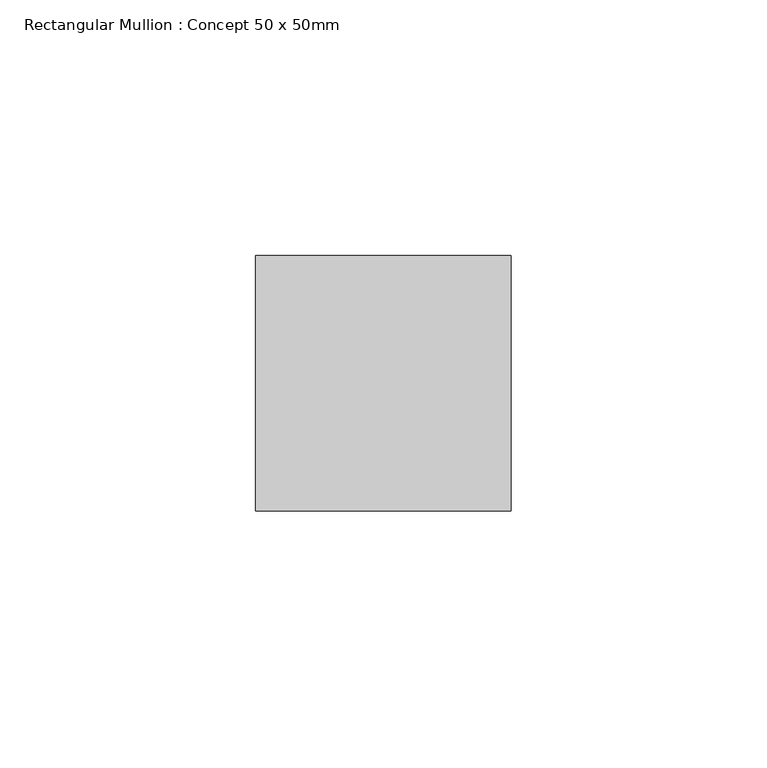
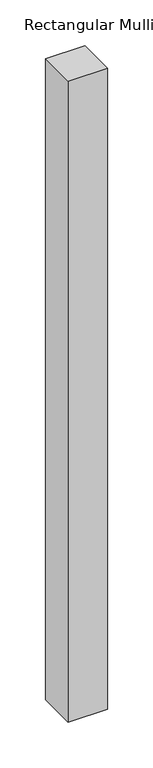
"""IFC4 building model written with IfcOpenShell, lengths in millimetres: member geometry, Rectangular Mullion : Concept 50 x 50mm."""

from ifc_helpers import new_model, si_unit, frame, origin, place, context, project, spatial, polyline, outline, extrude, source, transform, mapped, element, save


def rectangular_mullion_concept_50_x_50mm_e6961ec6(model_context):
    return source(origin(), model_context, "Body", "SweptSolid", [
        extrude(outline(polyline([(25.0, 50.0), (25.0, 0.0), (-25.0, 0.0), (-25.0, 50.0), (25.0, 50.0)])), frame((0.0, 0.0, -858.75), z_axis=(0.0, 0.0, 1.0), x_axis=(1.0, 0.0, 0.0)), (0.0, 0.0, 1.0), 858.75),
    ])


if __name__ == "__main__":
    model = new_model("IFC4")
    model_context = context("Model", 3, world=origin())
    ifc_project = project(units=[si_unit("LENGTHUNIT", "METRE", prefix="MILLI")], contexts=[model_context])
    site = spatial("IfcSite", under=ifc_project)
    building = spatial("IfcBuilding", under=site)
    placement = place(None, origin())
    rectangular_mullion_concept_50_x_50mm_shape = rectangular_mullion_concept_50_x_50mm_e6961ec6(model_context)
    element("IfcMember", 1, ObjectType="Rectangular Mullion : Concept 50 x 50mm", at=placement, inside=building, context=model_context, shape_type="MappedRepresentation", body=[
        mapped(rectangular_mullion_concept_50_x_50mm_shape, transform((0.0, 0.0, 0.0), x_axis=(1.0, 0.0, 0.0), y_axis=(0.0, 1.0, 0.0), z_axis=(0.0, 0.0, 1.0))),
    ])
    save(model, "model.ifc")
